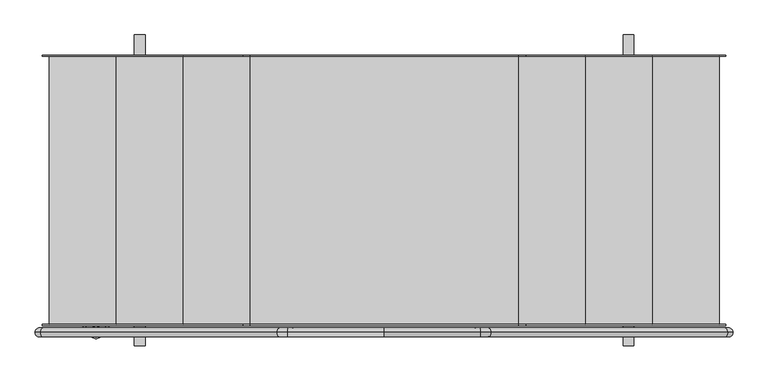
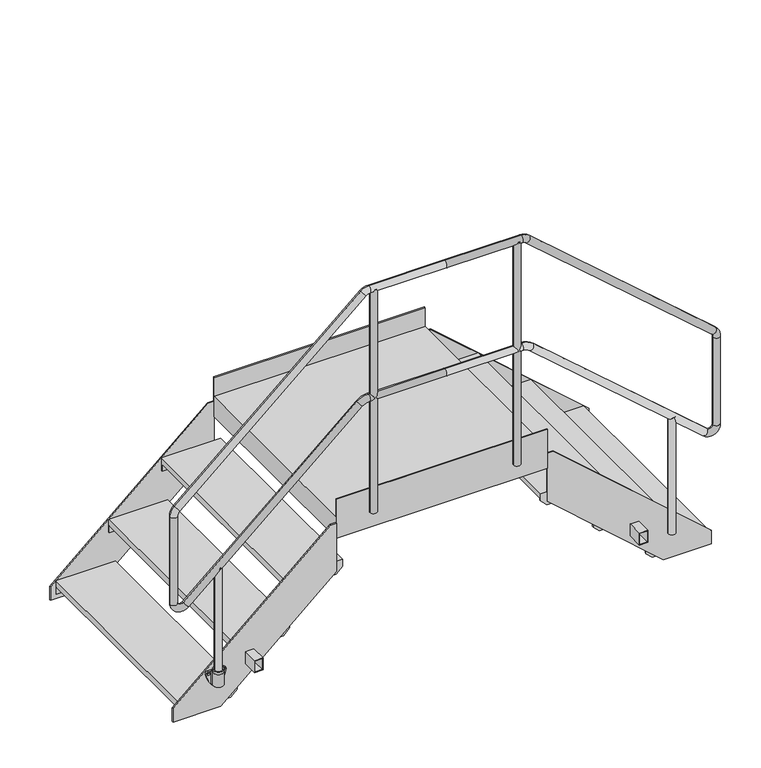
"""IFC4 building model written with IfcOpenShell, lengths in millimetres: beam geometry."""

from ifc_helpers import new_model, si_unit, point, frame, frame_2d, origin, place, context, project, spatial, polyline, circle_curve, ellipse_curve, trimmed, segment, composite_curve, outline, extrude, faceted_brep, source, transform, mapped, element, save
from ifc_brep_helpers import plane_surface, cylinder_surface, revolved_surface, advanced_brep


def beam_22312b99(model_context):
    return source(origin(), model_context, "Body", "SolidModel", [
        advanced_brep(
        [(-1098.5, -530.5, 318.5021879), (-1051.5, -530.5, 318.5021879), (-1092.5, -530.5, 318.5021879), (-1057.5, -530.5, 318.5021879), (-1090.6843871, -513.0, 306.5021879), (-1059.3156129, -513.0, 306.5021879), (-1075.0, -513.0, 306.5021879), (-1092.5, -530.5, 306.5021879), (-1079.2742096, -513.5299932, 306.5021879), (-1075.0, -513.0, 306.5021879), (-1070.7257904, -513.5299932, 306.5021879), (-1057.5, -530.5, 306.5021879), (-1098.5, -530.5, 306.5021879), (-1051.5, -530.5, 306.5021879), (-1055.0724935, -518.0442991, 306.5021879), (-1094.9275065, -518.0442991, 306.5021879), (-1052.160166, -513.0, 306.5021879), (-1097.839834, -513.0, 306.5021879), (-1055.0724935, -518.0442991, 242.5021879), (-1094.9275065, -518.0442991, 242.5021879), (-1097.839834, -513.0, 242.5021879), (-1052.160166, -513.0, 242.5021879), (-1070.7257904, -513.5299932, 242.5021879), (-1079.2742096, -513.5299932, 242.5021879)],
        [
            (0, 1, circle_curve(frame((-1075.0, -530.5, 318.5021879), z_axis=(0.0, 0.0, 1.0), x_axis=(1.0, 0.0, 0.0)), 23.5)),
            (1, 0, circle_curve(frame((-1075.0, -530.5, 318.5021879), z_axis=(0.0, 0.0, 1.0), x_axis=(1.0, 0.0, 0.0)), 23.5)),
            (2, 3, circle_curve(frame((-1075.0, -530.5, 318.5021879), z_axis=(0.0, 0.0, -1.0), x_axis=(1.0, 0.0, 0.0)), 17.5)),
            (3, 2, circle_curve(frame((-1075.0, -530.5, 318.5021879), z_axis=(0.0, 0.0, -1.0), x_axis=(1.0, 0.0, 0.0)), 17.5)),
            (4, 5, circle_curve(frame((-1075.0, -530.5, 306.5021879), z_axis=(0.0, 0.0, -1.0), x_axis=(1.0, 0.0, 0.0)), 23.5)),
            (5, 6),
            (6, 4),
            (2, 7),
            (7, 8, circle_curve(frame((-1075.0, -530.5, 306.5021879), z_axis=(0.0, 0.0, -1.0), x_axis=(1.0, 0.0, 0.0)), 17.5)),
            (8, 9, circle_curve(frame((-1075.0, -530.5, 306.5021879), z_axis=(0.0, 0.0, -1.0), x_axis=(1.0, 0.0, 0.0)), 17.5)),
            (9, 10, circle_curve(frame((-1075.0, -530.5, 306.5021879), z_axis=(0.0, 0.0, -1.0), x_axis=(1.0, 0.0, 0.0)), 17.5)),
            (10, 11, circle_curve(frame((-1075.0, -530.5, 306.5021879), z_axis=(0.0, 0.0, -1.0), x_axis=(1.0, 0.0, 0.0)), 17.5)),
            (11, 3),
            (11, 7, circle_curve(frame((-1075.0, -530.5, 306.5021879), z_axis=(0.0, 0.0, -1.0), x_axis=(1.0, 0.0, 0.0)), 17.5)),
            (0, 12),
            (12, 13, circle_curve(frame((-1075.0, -530.5, 306.5021879), z_axis=(0.0, 0.0, 1.0), x_axis=(1.0, 0.0, 0.0)), 23.5)),
            (13, 1),
            (13, 14, circle_curve(frame((-1075.0, -530.5, 306.5021879), z_axis=(0.0, 0.0, 1.0), x_axis=(1.0, 0.0, 0.0)), 23.5)),
            (14, 5, circle_curve(frame((-1075.0, -530.5, 306.5021879), z_axis=(0.0, 0.0, 1.0), x_axis=(1.0, 0.0, 0.0)), 23.5)),
            (4, 15, circle_curve(frame((-1075.0, -530.5, 306.5021879), z_axis=(0.0, 0.0, 1.0), x_axis=(1.0, 0.0, 0.0)), 23.5)),
            (15, 12, circle_curve(frame((-1075.0, -530.5, 306.5021879), z_axis=(0.0, 0.0, 1.0), x_axis=(1.0, 0.0, 0.0)), 23.5)),
            (8, 10),
            (14, 16, circle_curve(frame((-1052.1711253, -516.3565387, 306.5021879), z_axis=(0.0, 0.0, -1.0), x_axis=(-1.0, 0.0, 0.0)), 3.3565566)),
            (16, 5),
            (17, 15, circle_curve(frame((-1097.8288747, -516.3565387, 306.5021879), z_axis=(0.0, 0.0, -1.0), x_axis=(1.0, 0.0, 0.0)), 3.3565566)),
            (4, 17),
            (18, 19, circle_curve(frame((-1075.0, -530.5, 242.5021879), z_axis=(0.0, 0.0, -1.0), x_axis=(1.0, 0.0, 0.0)), 23.5)),
            (19, 20, circle_curve(frame((-1097.8288747, -516.3565387, 242.5021879), z_axis=(0.0, 0.0, 1.0), x_axis=(1.0, 0.0, 0.0)), 3.3565566)),
            (20, 21),
            (21, 18, circle_curve(frame((-1052.1711253, -516.3565387, 242.5021879), z_axis=(0.0, 0.0, 1.0), x_axis=(-1.0, 0.0, 0.0)), 3.3565566)),
            (22, 23),
            (23, 22, circle_curve(frame((-1075.0, -530.5, 242.5021879), z_axis=(0.0, 0.0, 1.0), x_axis=(1.0, 0.0, 0.0)), 17.5)),
            (23, 8),
            (10, 22),
            (14, 18),
            (21, 16),
            (20, 17),
            (19, 15),
        ],
        [
            plane_surface(frame((-1057.5, -530.5, 318.5021879), z_axis=(0.0, 0.0, 1.0), x_axis=(0.0, -1.0, 0.0))),
            plane_surface(frame((-1057.5, -530.5, 306.5021879), z_axis=(0.0, 0.0, -1.0), x_axis=(0.0, 1.0, 0.0))),
            revolved_surface(polyline([(-1057.5, -530.5, 306.5021879), (-1057.5, -530.5, 318.5021879)]), (-1075.0, -530.5, 306.5021879), (0.0, 0.0, -1.0)),
            cylinder_surface(frame((-1075.0, -530.5, 306.5021879), z_axis=(0.0, 0.0, 1.0), x_axis=(1.0, 0.0, 0.0)), 23.5),
            plane_surface(frame((-1057.5, -530.5, 306.5021879), z_axis=(0.0, 0.0, 1.0), x_axis=(0.0, -1.0, 0.0))),
            plane_surface(frame((-1057.5, -530.5, 242.5021879), z_axis=(0.0, 0.0, -1.0), x_axis=(0.0, 1.0, 0.0))),
            revolved_surface(polyline([(-1057.5, -530.5, 242.5021879), (-1057.5, -530.5, 306.5021879)]), (-1075.0, -530.5, 242.5021879), (0.0, 0.0, -1.0)),
            plane_surface(frame((-1079.2742096, -513.5299932, 306.5021879), z_axis=(0.0, -1.0, 0.0), x_axis=(0.0, 0.0, -1.0))),
            revolved_surface(polyline([(-1055.5276819, -516.3565387, 242.5021879), (-1055.5276819, -516.3565387, 306.5021879)]), (-1052.1711253, -516.3565387, 242.5021879), (0.0, 0.0, -1.0)),
            plane_surface(frame((-1052.160166, -513.0, 306.5021879), z_axis=(0.0, 1.0, 0.0), x_axis=(0.0, 0.0, -1.0))),
            revolved_surface(polyline([(-1094.4723181, -516.3565387, 242.5021879), (-1094.4723181, -516.3565387, 306.5021879)]), (-1097.8288747, -516.3565387, 242.5021879), (0.0, 0.0, -1.0)),
            cylinder_surface(frame((-1075.0, -530.5, 242.5021879), z_axis=(0.0, 0.0, 1.0), x_axis=(1.0, 0.0, 0.0)), 23.5),
        ],
        [
            (0, [[1, 2], [3, 4]]),
            (1, [[5, 6, 7]]),
            (2, [[-3, 8, 9, 10, 11, 12, 13]]),
            (2, [[-4, -13, 14, -8]]),
            (3, [[-1, 15, 16, 17]]),
            (3, [[-2, -17, 18, 19, -5, 20, 21, -15]]),
            (4, [[22, -11, -10]]),
            (4, [[23, 24, -19]]),
            (4, [[25, -20, 26]]),
            (5, [[27, 28, 29, 30], [31, 32]]),
            (6, [[-32, 33, -9, -14, -12, 34]]),
            (7, [[-22, -33, -31, -34]]),
            (8, [[-23, 35, -30, 36]]),
            (9, [[-29, 37, -26, -7, -6, -24, -36]]),
            (10, [[-25, -37, -28, 38]]),
            (11, [[-27, -35, -18, -16, -21, -38]]),
        ],
    ),
        extrude(outline(composite_curve([segment(trimmed(circle_curve(frame_2d((312.1021879, -1005.6)), 118.3), [point((293.8380046, -1122.4816051))], [point((221.6269174, -1081.8175533))], False, "CARTESIAN"), True, "CONTINUOUS"), segment(trimmed(circle_curve(frame_2d((231.5021879, -1075.0)), 12.0), [point((221.6269174, -1081.8175533))], [point((223.2936993, -1066.246674))], False, "CARTESIAN"), True, "CONTINUOUS"), segment(trimmed(circle_curve(frame_2d((312.1021879, -1144.4)), 118.3), [point((223.2936993, -1066.246674))], [point((293.8380046, -1027.5183949))], False, "CARTESIAN"), True, "CONTINUOUS"), segment(trimmed(circle_curve(frame_2d((294.5021879, -1039.5)), 12.0), [point((293.8380046, -1027.5183949))], [point((306.5021879, -1039.5))], False, "CARTESIAN"), True, "CONTINUOUS"), segment(polyline([(306.5021879, -1039.5), (306.5021879, -1110.5)]), True, "CONTINUOUS"), segment(trimmed(circle_curve(frame_2d((294.5021879, -1110.5)), 12.0), [point((306.5021879, -1110.5))], [point((293.8380046, -1122.4816051))], False, "CARTESIAN"), True, "CONTINUOUS")], self_intersect=False), holes=[composite_curve([segment(trimmed(circle_curve(frame_2d((231.5021879, -1075.0)), 6.0), [point((231.5021879, -1081.0))], [point((231.5021879, -1069.0))], True, "CARTESIAN"), True, "CONTINUOUS"), segment(trimmed(circle_curve(frame_2d((231.5021879, -1075.0)), 6.0), [point((231.5021879, -1069.0))], [point((231.5021879, -1081.0))], True, "CARTESIAN"), True, "CONTINUOUS")], self_intersect=False), composite_curve([segment(trimmed(circle_curve(frame_2d((294.5021879, -1110.5)), 6.0), [point((294.5021879, -1116.5))], [point((294.5021879, -1104.5))], True, "CARTESIAN"), True, "CONTINUOUS"), segment(trimmed(circle_curve(frame_2d((294.5021879, -1110.5)), 6.0), [point((294.5021879, -1104.5))], [point((294.5021879, -1116.5))], True, "CARTESIAN"), True, "CONTINUOUS")], self_intersect=False), composite_curve([segment(trimmed(circle_curve(frame_2d((294.5021879, -1039.5)), 6.0), [point((294.5021879, -1033.5))], [point((294.5021879, -1045.5))], True, "CARTESIAN"), True, "CONTINUOUS"), segment(trimmed(circle_curve(frame_2d((294.5021879, -1039.5)), 6.0), [point((294.5021879, -1045.5))], [point((294.5021879, -1033.5))], True, "CARTESIAN"), True, "CONTINUOUS")], self_intersect=False)]), frame((0.0, -513.0, 0.0), z_axis=(0.0, 1.0, 0.0), x_axis=(0.0, 0.0, 1.0)), (0.0, 0.0, 1.0), 8.0),
        extrude(outline(composite_curve([segment(trimmed(circle_curve(frame_2d((-1075.0, -530.5)), 16.8), [point((-1091.8, -530.5))], [point((-1058.2, -530.5))], False, "CARTESIAN"), True, "CONTINUOUS"), segment(trimmed(circle_curve(frame_2d((-1075.0, -530.5)), 16.8), [point((-1058.2, -530.5))], [point((-1091.8, -530.5))], False, "CARTESIAN"), True, "CONTINUOUS")], self_intersect=False)), frame((0.0, 0.0, 248.5021879), z_axis=(0.0, 0.0, 1.0), x_axis=(1.0, 0.0, 0.0)), (0.0, 0.0, 1.0), 585.0),
        extrude(outline(composite_curve([segment(trimmed(circle_curve(frame_2d((1075.0, -530.5)), 16.8), [point((1091.8, -530.5))], [point((1058.2, -530.5))], False, "CARTESIAN"), True, "CONTINUOUS"), segment(trimmed(circle_curve(frame_2d((1075.0, -530.5)), 16.8), [point((1058.2, -530.5))], [point((1091.8, -530.5))], False, "CARTESIAN"), True, "CONTINUOUS")], self_intersect=False)), frame((0.0, 0.0, 248.5021879), z_axis=(0.0, 0.0, 1.0), x_axis=(1.0, 0.0, 0.0)), (0.0, 0.0, 1.0), 585.0),
        extrude(outline(composite_curve([segment(trimmed(circle_curve(frame_2d((-340.0, -530.5)), 16.8), [point((-356.8, -530.5))], [point((-323.2, -530.5))], False, "CARTESIAN"), True, "CONTINUOUS"), segment(trimmed(circle_curve(frame_2d((-340.0, -530.5)), 16.8), [point((-323.2, -530.5))], [point((-356.8, -530.5))], False, "CARTESIAN"), True, "CONTINUOUS")], self_intersect=False)), frame((0.0, 0.0, 850.5021879), z_axis=(0.0, 0.0, 1.0), x_axis=(1.0, 0.0, 0.0)), (0.0, 0.0, 1.0), 1120.0),
        extrude(outline(composite_curve([segment(trimmed(circle_curve(frame_2d((340.0, -530.5)), 16.8), [point((356.8, -530.5))], [point((323.2, -530.5))], False, "CARTESIAN"), True, "CONTINUOUS"), segment(trimmed(circle_curve(frame_2d((340.0, -530.5)), 16.8), [point((323.2, -530.5))], [point((356.8, -530.5))], False, "CARTESIAN"), True, "CONTINUOUS")], self_intersect=False)), frame((0.0, 0.0, 850.5021879), z_axis=(0.0, 0.0, 1.0), x_axis=(1.0, 0.0, 0.0)), (0.0, 0.0, 1.0), 1120.0),
        advanced_brep(
        [(0.0, -530.5, 1953.9021879), (360.0669192, -530.5, 1953.9021879), (360.0669192, -530.5, 1987.5021879), (0.0, -530.5, 1987.5021879), (377.3868776, -530.5, 1947.4265208), (399.430461, -530.5, 1972.7847627), (1260.3199584, -530.5, 1179.9045033), (1282.3635417, -530.5, 1205.2627452), (1269.4, -530.5, 1159.9801704), (1303.0, -530.5, 1159.9801704), (1269.4, -530.5, 721.9830931), (1303.0, -530.5, 721.9830931), (1242.2406319, -530.5, 709.605856), (1220.1970486, -530.5, 684.2476141), (418.6523008, -530.5, 1425.5402697), (396.6087175, -530.5, 1400.1820278), (363.805766, -530.5, 1446.0465487), (363.805766, -530.5, 1412.4465487), (0.0, -530.5, 1446.0465487), (0.0, -530.5, 1412.4465487), (-360.0669192, -530.5, 1987.5021879), (-360.0669192, -530.5, 1953.9021879), (-399.430461, -530.5, 1972.7847627), (-377.3868776, -530.5, 1947.4265208), (-1282.3635417, -530.5, 1205.2627452), (-1260.3199584, -530.5, 1179.9045033), (-1303.0, -530.5, 1159.9801704), (-1269.4, -530.5, 1159.9801704), (-1303.0, -530.5, 721.9830931), (-1269.4, -530.5, 721.9830931), (-1220.1970486, -530.5, 684.2476141), (-1242.2406319, -530.5, 709.605856), (-396.6087175, -530.5, 1400.1820278), (-418.6523008, -530.5, 1425.5402697), (-363.805766, -530.5, 1412.4465487), (-363.805766, -530.5, 1446.0465487)],
        [
            (0, 1),
            (1, 2, circle_curve(frame((360.0669192, -530.5, 1970.7021879), z_axis=(-1.0, 0.0, 0.0), x_axis=(0.0, 0.0, -1.0)), 16.8)),
            (2, 3),
            (3, 0, circle_curve(frame((0.0, -530.5, 1970.7021879), z_axis=(1.0, 0.0, 0.0), x_axis=(0.0, 0.0, -1.0)), 16.8)),
            (0, 3, circle_curve(frame((0.0, -530.5, 1970.7021879), z_axis=(1.0, 0.0, 0.0), x_axis=(0.0, 0.0, -1.0)), 16.8)),
            (2, 1, circle_curve(frame((360.0669192, -530.5, 1970.7021879), z_axis=(-1.0, 0.0, 0.0), x_axis=(0.0, 0.0, -1.0)), 16.8)),
            (1, 4, circle_curve(frame((360.0669192, -530.5, 1927.5021879), z_axis=(0.0, 1.0, 0.0), x_axis=(0.0, 0.0, 1.0)), 26.4)),
            (4, 5, circle_curve(frame((388.4086693, -530.5, 1960.1056417), z_axis=(-0.754709580222773, 0.0, 0.656059028990506), x_axis=(-0.656059028990506, 0.0, -0.754709580222773)), 16.8)),
            (5, 2, circle_curve(frame((360.0669192, -530.5, 1927.5021879), z_axis=(0.0, -1.0, 0.0), x_axis=(0.0, 0.0, 1.0)), 60.0)),
            (5, 4, circle_curve(frame((388.4086693, -530.5, 1960.1056417), z_axis=(-0.7547095802227751, 0.0, 0.6560590289905037), x_axis=(-0.6560590289905037, 0.0, -0.7547095802227751)), 16.8)),
            (4, 6),
            (6, 7, circle_curve(frame((1271.3417501, -530.5, 1192.5836242), z_axis=(-0.7547095802227749, 0.0, 0.6560590289905042), x_axis=(-0.6560590289905041, 0.0, -0.7547095802227747)), 16.8)),
            (7, 5),
            (7, 6, circle_curve(frame((1271.3417501, -530.5, 1192.5836242), z_axis=(-0.7547095802227749, 0.0, 0.6560590289905042), x_axis=(-0.6560590289905041, 0.0, -0.7547095802227747)), 16.8)),
            (6, 8, circle_curve(frame((1243.0, -530.5, 1159.9801704), z_axis=(0.0, 1.0, 0.0), x_axis=(0.6560590289905028, 0.0, 0.7547095802227759)), 26.4)),
            (8, 9, circle_curve(frame((1286.2, -530.5, 1159.9801704), z_axis=(0.0, 0.0, 1.0), x_axis=(-1.0, 0.0, 0.0)), 16.8)),
            (9, 7, circle_curve(frame((1243.0, -530.5, 1159.9801704), z_axis=(0.0, -1.0, 0.0), x_axis=(0.6560590289905028, 0.0, 0.7547095802227759)), 60.0)),
            (9, 8, circle_curve(frame((1286.2, -530.5, 1159.9801704), z_axis=(0.0, 0.0, 1.0), x_axis=(-1.0, 0.0, 0.0)), 16.8)),
            (8, 10),
            (10, 11, circle_curve(frame((1286.2, -530.5, 721.9830931), z_axis=(0.0, 0.0, 1.0), x_axis=(-1.0, 0.0, 0.0)), 16.8)),
            (11, 9),
            (11, 10, circle_curve(frame((1286.2, -530.5, 721.9830931), z_axis=(0.0, 0.0, 1.0), x_axis=(-1.0, 0.0, 0.0)), 16.8)),
            (10, 12, circle_curve(frame((1253.0, -530.5, 721.9830931), z_axis=(0.0, 1.0, 0.0), x_axis=(1.0, 0.0, 0.0)), 16.4)),
            (12, 13, circle_curve(frame((1231.2188402, -530.5, 696.9267351), z_axis=(0.7547095802227697, 0.0, -0.6560590289905098), x_axis=(0.6560590289905098, 0.0, 0.7547095802227697)), 16.8)),
            (13, 11, circle_curve(frame((1253.0, -530.5, 721.9830931), z_axis=(0.0, -1.0, 0.0), x_axis=(1.0, 0.0, 0.0)), 50.0)),
            (13, 12, circle_curve(frame((1231.2188402, -530.5, 696.9267351), z_axis=(0.7547095802227752, 0.0, -0.6560590289905035), x_axis=(0.6560590289905035, 0.0, 0.7547095802227752)), 16.8)),
            (12, 14),
            (14, 15, circle_curve(frame((407.6305092, -530.5, 1412.8611487), z_axis=(0.7547095802227748, 0.0, -0.6560590289905041), x_axis=(0.6560590289905041, 0.0, 0.7547095802227748)), 16.8)),
            (15, 13),
            (15, 14, circle_curve(frame((407.6305092, -530.5, 1412.8611487), z_axis=(0.7547095802227748, 0.0, -0.6560590289905041), x_axis=(0.6560590289905041, 0.0, 0.7547095802227748)), 16.8)),
            (14, 16, circle_curve(frame((363.805766, -530.5, 1362.4465487), z_axis=(0.0, -1.0, 0.0), x_axis=(0.6560590289905083, 0.0, 0.754709580222771)), 83.6)),
            (16, 17, circle_curve(frame((363.805766, -530.5, 1429.2465487), z_axis=(0.9999999999999999, 0.0, 0.0), x_axis=(0.0, 0.0, 0.9999999999999999)), 16.8)),
            (17, 15, circle_curve(frame((363.805766, -530.5, 1362.4465487), z_axis=(0.0, 1.0, 0.0), x_axis=(0.6560590289905083, 0.0, 0.754709580222771)), 50.0)),
            (17, 16, circle_curve(frame((363.805766, -530.5, 1429.2465487), z_axis=(0.9999999999999999, 0.0, 0.0), x_axis=(0.0, 0.0, 0.9999999999999999)), 16.8)),
            (16, 18),
            (18, 19, circle_curve(frame((0.0, -530.5, 1429.2465487), z_axis=(1.0, 0.0, 0.0), x_axis=(0.0, 0.0, 1.0)), 16.8)),
            (19, 17),
            (19, 18, circle_curve(frame((0.0, -530.5, 1429.2465487), z_axis=(1.0, 0.0, 0.0), x_axis=(0.0, 0.0, 1.0)), 16.8)),
            (3, 20),
            (20, 21, circle_curve(frame((-360.0669192, -530.5, 1970.7021879), z_axis=(1.0, 0.0, 0.0), x_axis=(0.0, 0.0, -1.0)), 16.8)),
            (21, 0),
            (21, 20, circle_curve(frame((-360.0669192, -530.5, 1970.7021879), z_axis=(1.0, 0.0, 0.0), x_axis=(0.0, 0.0, -1.0)), 16.8)),
            (20, 22, circle_curve(frame((-360.0669192, -530.5, 1927.5021879), z_axis=(0.0, -1.0, 0.0), x_axis=(0.0, 0.0, 1.0)), 60.0)),
            (22, 23, circle_curve(frame((-388.4086693, -530.5, 1960.1056417), z_axis=(0.7547095802227751, 0.0, 0.6560590289905037), x_axis=(0.6560590289905037, 0.0, -0.7547095802227751)), 16.8)),
            (23, 21, circle_curve(frame((-360.0669192, -530.5, 1927.5021879), z_axis=(0.0, 1.0, 0.0), x_axis=(0.0, 0.0, 1.0)), 26.4)),
            (23, 22, circle_curve(frame((-388.4086693, -530.5, 1960.1056417), z_axis=(0.7547095802227743, 0.0, 0.6560590289905045), x_axis=(0.6560590289905045, 0.0, -0.7547095802227743)), 16.8)),
            (22, 24),
            (24, 25, circle_curve(frame((-1271.3417501, -530.5, 1192.5836242), z_axis=(0.7547095802227749, 0.0, 0.6560590289905042), x_axis=(0.6560590289905041, 0.0, -0.7547095802227747)), 16.8)),
            (25, 23),
            (25, 24, circle_curve(frame((-1271.3417501, -530.5, 1192.5836242), z_axis=(0.7547095802227749, 0.0, 0.6560590289905042), x_axis=(0.6560590289905041, 0.0, -0.7547095802227747)), 16.8)),
            (24, 26, circle_curve(frame((-1243.0, -530.5, 1159.9801704), z_axis=(0.0, -1.0, 0.0), x_axis=(-0.6560590289905042, 0.0, 0.7547095802227747)), 60.0)),
            (26, 27, circle_curve(frame((-1286.2, -530.5, 1159.9801704), z_axis=(0.0, 0.0, 1.0), x_axis=(1.0, 0.0, 0.0)), 16.8)),
            (27, 25, circle_curve(frame((-1243.0, -530.5, 1159.9801704), z_axis=(0.0, 1.0, 0.0), x_axis=(-0.6560590289905042, 0.0, 0.7547095802227747)), 26.4)),
            (27, 26, circle_curve(frame((-1286.2, -530.5, 1159.9801704), z_axis=(0.0, 0.0, 1.0), x_axis=(1.0, 0.0, 0.0)), 16.8)),
            (26, 28),
            (28, 29, circle_curve(frame((-1286.2, -530.5, 721.9830931), z_axis=(0.0, 0.0, 1.0), x_axis=(1.0, 0.0, 0.0)), 16.8)),
            (29, 27),
            (29, 28, circle_curve(frame((-1286.2, -530.5, 721.9830931), z_axis=(0.0, 0.0, 1.0), x_axis=(1.0, 0.0, 0.0)), 16.8)),
            (28, 30, circle_curve(frame((-1253.0, -530.5, 721.9830931), z_axis=(0.0, -1.0, 0.0), x_axis=(-1.0, 0.0, 0.0)), 50.0)),
            (30, 31, circle_curve(frame((-1231.2188402, -530.5, 696.9267351), z_axis=(-0.7547095802227766, 0.0, -0.6560590289905022), x_axis=(-0.6560590289905022, 0.0, 0.7547095802227766)), 16.8)),
            (31, 29, circle_curve(frame((-1253.0, -530.5, 721.9830931), z_axis=(0.0, 1.0, 0.0), x_axis=(-1.0, 0.0, 0.0)), 16.4)),
            (31, 30, circle_curve(frame((-1231.2188402, -530.5, 696.9267351), z_axis=(-0.7547095802227635, 0.0, -0.6560590289905172), x_axis=(-0.6560590289905172, 0.0, 0.7547095802227635)), 16.8)),
            (30, 32),
            (32, 33, circle_curve(frame((-407.6305092, -530.5, 1412.8611487), z_axis=(-0.7547095802227748, 0.0, -0.6560590289905041), x_axis=(-0.6560590289905041, 0.0, 0.7547095802227748)), 16.8)),
            (33, 31),
            (33, 32, circle_curve(frame((-407.6305092, -530.5, 1412.8611487), z_axis=(-0.7547095802227748, 0.0, -0.6560590289905041), x_axis=(-0.6560590289905041, 0.0, 0.7547095802227748)), 16.8)),
            (32, 34, circle_curve(frame((-363.805766, -530.5, 1362.4465487), z_axis=(0.0, 1.0, 0.0), x_axis=(-0.6560590289905083, 0.0, 0.754709580222771)), 50.0)),
            (34, 35, circle_curve(frame((-363.805766, -530.5, 1429.2465487), z_axis=(-0.9999999999999999, 0.0, 0.0), x_axis=(0.0, 0.0, 0.9999999999999999)), 16.8)),
            (35, 33, circle_curve(frame((-363.805766, -530.5, 1362.4465487), z_axis=(0.0, -1.0, 0.0), x_axis=(-0.6560590289905083, 0.0, 0.754709580222771)), 83.6)),
            (35, 34, circle_curve(frame((-363.805766, -530.5, 1429.2465487), z_axis=(-1.0, 0.0, 0.0), x_axis=(0.0, 0.0, 1.0)), 16.8)),
            (34, 19),
            (18, 35),
        ],
        [
            cylinder_surface(frame((0.0, -530.5, 1970.7021879), z_axis=(-1.0, 0.0, 0.0), x_axis=(0.0, 0.0, -1.0)), 16.8),
            revolved_surface(trimmed(ellipse_curve(frame((360.0669192, -530.5, 1970.7021879), z_axis=(-1.0, 0.0, 0.0), x_axis=(0.0, 0.0, -1.0)), 16.8, 16.8), [point((360.0669192, -530.5, 1953.9021879))], [point((360.0669192, -530.5, 1987.5021879))], True, "CARTESIAN"), (360.0669192, -530.5, 1927.5021879), (0.0, 1.0, 0.0)),
            revolved_surface(trimmed(ellipse_curve(frame((360.0669192, -530.5, 1970.7021879), z_axis=(-1.0, 0.0, 0.0), x_axis=(0.0, 0.0, -1.0)), 16.8, 16.8), [point((360.0669192, -530.5, 1987.5021879))], [point((360.0669192, -530.5, 1953.9021879))], True, "CARTESIAN"), (360.0669192, -530.5, 1927.5021879), (0.0, 1.0, 0.0)),
            cylinder_surface(frame((388.4086693, -530.5, 1960.1056417), z_axis=(-0.7547095802227747, 0.0, 0.6560590289905041), x_axis=(-0.6560590289905041, 0.0, -0.7547095802227747)), 16.8),
            revolved_surface(trimmed(ellipse_curve(frame((1271.3417501, -530.5, 1192.5836242), z_axis=(-0.7547095802227761, 0.0, 0.6560590289905026), x_axis=(-0.6560590289905026, 0.0, -0.7547095802227761)), 16.8, 16.8), [point((1260.3199584, -530.5, 1179.9045033))], [point((1282.3635417, -530.5, 1205.2627452))], True, "CARTESIAN"), (1243.0, -530.5, 1159.9801704), (0.0, 1.0, 0.0)),
            revolved_surface(trimmed(ellipse_curve(frame((1271.3417501, -530.5, 1192.5836242), z_axis=(-0.7547095802227761, 0.0, 0.6560590289905026), x_axis=(-0.6560590289905026, 0.0, -0.7547095802227761)), 16.8, 16.8), [point((1282.3635417, -530.5, 1205.2627452))], [point((1260.3199584, -530.5, 1179.9045033))], True, "CARTESIAN"), (1243.0, -530.5, 1159.9801704), (0.0, 1.0, 0.0)),
            cylinder_surface(frame((1286.2, -530.5, 1159.9801704), z_axis=(0.0, 0.0, 1.0), x_axis=(-1.0, 0.0, 0.0)), 16.8),
            revolved_surface(trimmed(ellipse_curve(frame((1286.2, -530.5, 721.9830931), z_axis=(0.0, 0.0, 1.0), x_axis=(-1.0, 0.0, 0.0)), 16.8, 16.8), [point((1269.4, -530.5, 721.9830931))], [point((1303.0, -530.5, 721.9830931))], True, "CARTESIAN"), (1253.0, -530.5, 721.9830931), (0.0, 1.0, 0.0)),
            revolved_surface(trimmed(ellipse_curve(frame((1286.2, -530.5, 721.9830931), z_axis=(0.0, 0.0, 1.0), x_axis=(-1.0, 0.0, 0.0)), 16.8, 16.8), [point((1303.0, -530.5, 721.9830931))], [point((1269.4, -530.5, 721.9830931))], True, "CARTESIAN"), (1253.0, -530.5, 721.9830931), (0.0, 1.0, 0.0)),
            cylinder_surface(frame((1231.2188402, -530.5, 696.9267351), z_axis=(0.7547095802227748, 0.0, -0.6560590289905041), x_axis=(0.6560590289905041, 0.0, 0.7547095802227748)), 16.8),
            revolved_surface(trimmed(ellipse_curve(frame((407.6305092, -530.5, 1412.8611487), z_axis=(0.7547095802227711, 0.0, -0.6560590289905082), x_axis=(0.6560590289905082, 0.0, 0.7547095802227711)), 16.8, 16.8), [point((418.6523008, -530.5, 1425.5402697))], [point((396.6087175, -530.5, 1400.1820278))], True, "CARTESIAN"), (363.805766, -530.5, 1362.4465487), (0.0, -1.0, 0.0)),
            revolved_surface(trimmed(ellipse_curve(frame((407.6305092, -530.5, 1412.8611487), z_axis=(0.7547095802227711, 0.0, -0.6560590289905082), x_axis=(0.6560590289905082, 0.0, 0.7547095802227711)), 16.8, 16.8), [point((396.6087175, -530.5, 1400.1820278))], [point((418.6523008, -530.5, 1425.5402697))], True, "CARTESIAN"), (363.805766, -530.5, 1362.4465487), (0.0, -1.0, 0.0)),
            cylinder_surface(frame((363.805766, -530.5, 1429.2465487), z_axis=(1.0, 0.0, 0.0), x_axis=(0.0, 0.0, 1.0)), 16.8),
            cylinder_surface(frame((0.0, -530.5, 1970.7021879), z_axis=(1.0, 0.0, 0.0), x_axis=(0.0, 0.0, -1.0)), 16.8),
            revolved_surface(trimmed(ellipse_curve(frame((-360.0669192, -530.5, 1970.7021879), z_axis=(1.0, 0.0, 0.0), x_axis=(0.0, 0.0, -1.0)), 16.8, 16.8), [point((-360.0669192, -530.5, 1987.5021879))], [point((-360.0669192, -530.5, 1953.9021879))], True, "CARTESIAN"), (-360.0669192, -530.5, 1927.5021879), (0.0, -1.0, 0.0)),
            revolved_surface(trimmed(ellipse_curve(frame((-360.0669192, -530.5, 1970.7021879), z_axis=(1.0, 0.0, 0.0), x_axis=(0.0, 0.0, -1.0)), 16.8, 16.8), [point((-360.0669192, -530.5, 1953.9021879))], [point((-360.0669192, -530.5, 1987.5021879))], True, "CARTESIAN"), (-360.0669192, -530.5, 1927.5021879), (0.0, -1.0, 0.0)),
            cylinder_surface(frame((-388.4086693, -530.5, 1960.1056417), z_axis=(0.7547095802227747, 0.0, 0.6560590289905041), x_axis=(0.6560590289905041, 0.0, -0.7547095802227747)), 16.8),
            revolved_surface(trimmed(ellipse_curve(frame((-1271.3417501, -530.5, 1192.5836242), z_axis=(0.7547095802227748, 0.0, 0.656059028990504), x_axis=(0.656059028990504, 0.0, -0.7547095802227748)), 16.8, 16.8), [point((-1282.3635417, -530.5, 1205.2627452))], [point((-1260.3199584, -530.5, 1179.9045033))], True, "CARTESIAN"), (-1243.0, -530.5, 1159.9801704), (0.0, -1.0, 0.0)),
            revolved_surface(trimmed(ellipse_curve(frame((-1271.3417501, -530.5, 1192.5836242), z_axis=(0.7547095802227748, 0.0, 0.656059028990504), x_axis=(0.656059028990504, 0.0, -0.7547095802227748)), 16.8, 16.8), [point((-1260.3199584, -530.5, 1179.9045033))], [point((-1282.3635417, -530.5, 1205.2627452))], True, "CARTESIAN"), (-1243.0, -530.5, 1159.9801704), (0.0, -1.0, 0.0)),
            cylinder_surface(frame((-1286.2, -530.5, 1159.9801704), z_axis=(0.0, 0.0, 1.0), x_axis=(1.0, 0.0, 0.0)), 16.8),
            revolved_surface(trimmed(ellipse_curve(frame((-1286.2, -530.5, 721.9830931), z_axis=(0.0, 0.0, 1.0), x_axis=(1.0, 0.0, 0.0)), 16.8, 16.8), [point((-1303.0, -530.5, 721.9830931))], [point((-1269.4, -530.5, 721.9830931))], True, "CARTESIAN"), (-1253.0, -530.5, 721.9830931), (0.0, -1.0, 0.0)),
            revolved_surface(trimmed(ellipse_curve(frame((-1286.2, -530.5, 721.9830931), z_axis=(0.0, 0.0, 1.0), x_axis=(1.0, 0.0, 0.0)), 16.8, 16.8), [point((-1269.4, -530.5, 721.9830931))], [point((-1303.0, -530.5, 721.9830931))], True, "CARTESIAN"), (-1253.0, -530.5, 721.9830931), (0.0, -1.0, 0.0)),
            cylinder_surface(frame((-1231.2188402, -530.5, 696.9267351), z_axis=(-0.7547095802227748, 0.0, -0.6560590289905041), x_axis=(-0.6560590289905041, 0.0, 0.7547095802227748)), 16.8),
            revolved_surface(trimmed(ellipse_curve(frame((-407.6305092, -530.5, 1412.8611487), z_axis=(-0.7547095802227711, 0.0, -0.6560590289905082), x_axis=(-0.6560590289905082, 0.0, 0.7547095802227711)), 16.8, 16.8), [point((-396.6087175, -530.5, 1400.1820278))], [point((-418.6523008, -530.5, 1425.5402697))], True, "CARTESIAN"), (-363.805766, -530.5, 1362.4465487), (0.0, 1.0, 0.0)),
            revolved_surface(trimmed(ellipse_curve(frame((-407.6305092, -530.5, 1412.8611487), z_axis=(-0.7547095802227711, 0.0, -0.6560590289905082), x_axis=(-0.6560590289905082, 0.0, 0.7547095802227711)), 16.8, 16.8), [point((-418.6523008, -530.5, 1425.5402697))], [point((-396.6087175, -530.5, 1400.1820278))], True, "CARTESIAN"), (-363.805766, -530.5, 1362.4465487), (0.0, 1.0, 0.0)),
            cylinder_surface(frame((-363.805766, -530.5, 1429.2465487), z_axis=(-1.0, 0.0, 0.0), x_axis=(0.0, 0.0, 1.0)), 16.8),
        ],
        [
            (0, [[1, 2, 3, 4]]),
            (0, [[-1, 5, -3, 6]]),
            (1, [[-2, 7, 8, 9]]),
            (2, [[-6, -9, 10, -7]]),
            (3, [[-8, 11, 12, 13]]),
            (3, [[-10, -13, 14, -11]]),
            (4, [[-12, 15, 16, 17]]),
            (5, [[-14, -17, 18, -15]]),
            (6, [[-16, 19, 20, 21]]),
            (6, [[-18, -21, 22, -19]]),
            (7, [[-20, 23, 24, 25]]),
            (8, [[-22, -25, 26, -23]]),
            (9, [[-24, 27, 28, 29]]),
            (9, [[-26, -29, 30, -27]]),
            (10, [[-28, 31, 32, 33]]),
            (11, [[-30, -33, 34, -31]]),
            (12, [[-32, 35, 36, 37]]),
            (12, [[-34, -37, 38, -35]]),
            (13, [[39, 40, 41, -4]]),
            (13, [[-39, -5, -41, 42]]),
            (14, [[-40, 43, 44, 45]]),
            (15, [[-42, -45, 46, -43]]),
            (16, [[-44, 47, 48, 49]]),
            (16, [[-46, -49, 50, -47]]),
            (17, [[-48, 51, 52, 53]]),
            (18, [[-50, -53, 54, -51]]),
            (19, [[-52, 55, 56, 57]]),
            (19, [[-54, -57, 58, -55]]),
            (20, [[-56, 59, 60, 61]]),
            (21, [[-58, -61, 62, -59]]),
            (22, [[-60, 63, 64, 65]]),
            (22, [[-62, -65, 66, -63]]),
            (23, [[-64, 67, 68, 69]]),
            (24, [[-66, -69, 70, -67]]),
            (25, [[-68, 71, -36, 72]]),
            (25, [[-70, -72, -38, -71]]),
        ],
    ),
        faceted_brep([(-468.7570662, -495.0, 611.773968), (-744.7570662, -495.0, 611.773968), (-744.7570662, 495.0, 611.773968), (-468.7570662, 495.0, 611.773968), (-749.7570662, 500.0, 636.773968), (-468.7570662, 500.0, 636.773968), (-468.7570662, 500.0, 601.773968), (-498.7570662, 500.0, 571.773968), (-749.7570662, 500.0, 571.773968), (-468.7570662, 495.0, 601.773968), (-744.7570662, 495.0, 606.773968), (-749.7570662, 495.0, 606.773968), (-749.7570662, 495.0, 571.773968), (-498.7570662, 495.0, 571.773968), (-749.7570662, -495.0, 606.773968), (-749.7570662, -495.0, 571.773968), (-749.7570662, -500.0, 571.773968), (-749.7570662, -500.0, 636.773968), (-468.7570662, -500.0, 636.773968), (-498.7570662, -500.0, 571.773968), (-468.7570662, -500.0, 601.773968), (-744.7570662, -495.0, 606.773968), (-468.7570662, -495.0, 601.773968), (-498.7570662, -495.0, 571.773968)], [[[0, 1, 2, 3]], [[4, 5, 6, 7, 8]], [[9, 3, 2, 10, 11, 12, 13]], [[8, 12, 11, 14, 15, 16, 17, 4]], [[7, 13, 12, 8]], [[6, 9, 13, 7]], [[18, 17, 16, 19, 20]], [[15, 14, 21, 1, 0, 22, 23]], [[19, 23, 22, 20]], [[16, 15, 23, 19]], [[10, 2, 1, 21]], [[21, 14, 11, 10]], [[4, 17, 18, 5]], [[3, 9, 6, 5, 18, 20, 22, 0]]]),
        faceted_brep([(469.5, -495.0, 612.0), (469.5, 495.0, 612.0), (745.5, 495.0, 612.0), (745.5, -495.0, 612.0), (750.5, 500.0, 637.0), (750.5, 500.0, 572.0), (499.5, 500.0, 572.0), (469.5, 500.0, 602.0), (469.5, 500.0, 637.0), (469.5, 495.0, 602.0), (499.5, 495.0, 572.0), (750.5, 495.0, 572.0), (750.5, 495.0, 607.0), (745.5, 495.0, 607.0), (750.5, -500.0, 637.0), (750.5, -500.0, 572.0), (750.5, -495.0, 572.0), (750.5, -495.0, 607.0), (469.5, -500.0, 637.0), (469.5, -500.0, 602.0), (499.5, -500.0, 572.0), (499.5, -495.0, 572.0), (469.5, -495.0, 602.0), (745.5, -495.0, 607.0)], [[[0, 1, 2, 3]], [[4, 5, 6, 7, 8]], [[9, 10, 11, 12, 13, 2, 1]], [[5, 4, 14, 15, 16, 17, 12, 11]], [[6, 5, 11, 10]], [[7, 6, 10, 9]], [[18, 19, 20, 15, 14]], [[16, 21, 22, 0, 3, 23, 17]], [[20, 19, 22, 21]], [[15, 20, 21, 16]], [[13, 23, 3, 2]], [[23, 13, 12, 17]], [[4, 8, 18, 14]], [[1, 0, 22, 19, 18, 8, 7, 9]]]),
        extrude(outline(polyline([(832.0, 495.2940503), (755.3, 495.2940503), (755.3, 500.2940503), (857.0, 500.2940503), (857.0, -499.7059497), (755.3, -499.7059497), (755.3, -494.7059497), (832.0, -494.7059497), (832.0, 495.2940503)])), frame((0.0, -500.0, 0.0), z_axis=(0.0, 1.0, 0.0), x_axis=(0.0, 0.0, 1.0)), (0.0, 0.0, 1.0), 1000.0),
        extrude(outline(polyline([(832.0, -499.7059497), (832.0, -527.7059497), (175.0, -1274.9118993), (107.0, -1274.9118993), (107.0, -1049.3654173), (590.3021879, -499.7059497), (832.0, -499.7059497)])), frame((0.0, 500.0, 0.0), z_axis=(0.0, 1.0, 0.0), x_axis=(0.0, 0.0, 1.0)), (0.0, 0.0, 1.0), 5.0),
        extrude(outline(polyline([(500.2940503, 505.0), (500.2940503, 500.0), (-499.7059497, 500.0), (-499.7059497, 505.0), (500.2940503, 505.0)])), frame((0.0, 0.0, 755.3021879), z_axis=(0.0, 0.0, 1.0), x_axis=(1.0, 0.0, 0.0)), (0.0, 0.0, 1.0), 196.2),
        extrude(outline(polyline([(832.0, 500.2940503), (590.3021879, 500.2940503), (107.0, 1049.953518), (107.0, 1275.5), (175.0, 1275.5), (832.0, 528.2940503), (832.0, 500.2940503)])), frame((0.0, 500.0, 0.0), z_axis=(0.0, 1.0, 0.0), x_axis=(0.0, 0.0, 1.0)), (0.0, 0.0, 1.0), 5.0),
        faceted_brep([(-718.8344827, -495.0, 391.886984), (-994.8344827, -495.0, 391.886984), (-994.8344827, 495.0, 391.886984), (-718.8344827, 495.0, 391.886984), (-999.8344827, 500.0, 416.886984), (-718.8344827, 500.0, 416.886984), (-718.8344827, 500.0, 381.886984), (-748.8344827, 500.0, 351.886984), (-999.8344827, 500.0, 351.886984), (-718.8344827, 495.0, 381.886984), (-994.8344827, 495.0, 386.886984), (-999.8344827, 495.0, 386.886984), (-999.8344827, 495.0, 351.886984), (-748.8344827, 495.0, 351.886984), (-999.8344827, -495.0, 386.886984), (-999.8344827, -495.0, 351.886984), (-999.8344827, -500.0, 351.886984), (-999.8344827, -500.0, 416.886984), (-718.8344827, -500.0, 416.886984), (-748.8344827, -500.0, 351.886984), (-718.8344827, -500.0, 381.886984), (-994.8344827, -495.0, 386.886984), (-718.8344827, -495.0, 381.886984), (-748.8344827, -495.0, 351.886984)], [[[0, 1, 2, 3]], [[4, 5, 6, 7, 8]], [[9, 3, 2, 10, 11, 12, 13]], [[8, 12, 11, 14, 15, 16, 17, 4]], [[7, 13, 12, 8]], [[6, 9, 13, 7]], [[18, 17, 16, 19, 20]], [[15, 14, 21, 1, 0, 22, 23]], [[19, 23, 22, 20]], [[16, 15, 23, 19]], [[10, 2, 1, 21]], [[21, 14, 11, 10]], [[4, 17, 18, 5]], [[3, 9, 6, 5, 18, 20, 22, 0]]]),
        faceted_brep([(-968.9118993, -495.0, 172.0), (-1244.9118993, -495.0, 172.0), (-1244.9118993, 495.0, 172.0), (-968.9118993, 495.0, 172.0), (-1249.9118993, 500.0, 197.0), (-968.9118993, 500.0, 197.0), (-968.9118993, 500.0, 162.0), (-998.9118993, 500.0, 132.0), (-1249.9118993, 500.0, 132.0), (-968.9118993, 495.0, 162.0), (-1244.9118993, 495.0, 167.0), (-1249.9118993, 495.0, 167.0), (-1249.9118993, 495.0, 132.0), (-998.9118993, 495.0, 132.0), (-1249.9118993, -495.0, 167.0), (-1249.9118993, -495.0, 132.0), (-1249.9118993, -500.0, 132.0), (-1249.9118993, -500.0, 197.0), (-968.9118993, -500.0, 197.0), (-998.9118993, -500.0, 132.0), (-968.9118993, -500.0, 162.0), (-1244.9118993, -495.0, 167.0), (-968.9118993, -495.0, 162.0), (-998.9118993, -495.0, 132.0)], [[[0, 1, 2, 3]], [[4, 5, 6, 7, 8]], [[9, 3, 2, 10, 11, 12, 13]], [[8, 12, 11, 14, 15, 16, 17, 4]], [[7, 13, 12, 8]], [[6, 9, 13, 7]], [[18, 17, 16, 19, 20]], [[15, 14, 21, 1, 0, 22, 23]], [[19, 23, 22, 20]], [[16, 15, 23, 19]], [[10, 2, 1, 21]], [[21, 14, 11, 10]], [[4, 17, 18, 5]], [[3, 9, 6, 5, 18, 20, 22, 0]]]),
        faceted_brep([(719.5, -495.0, 392.0), (719.5, 495.0, 392.0), (995.5, 495.0, 392.0), (995.5, -495.0, 392.0), (1000.5, 500.0, 417.0), (1000.5, 500.0, 352.0), (749.5, 500.0, 352.0), (719.5, 500.0, 382.0), (719.5, 500.0, 417.0), (719.5, 495.0, 382.0), (749.5, 495.0, 352.0), (1000.5, 495.0, 352.0), (1000.5, 495.0, 387.0), (995.5, 495.0, 387.0), (1000.5, -500.0, 417.0), (1000.5, -500.0, 352.0), (1000.5, -495.0, 352.0), (1000.5, -495.0, 387.0), (719.5, -500.0, 417.0), (719.5, -500.0, 382.0), (749.5, -500.0, 352.0), (749.5, -495.0, 352.0), (719.5, -495.0, 382.0), (995.5, -495.0, 387.0)], [[[0, 1, 2, 3]], [[4, 5, 6, 7, 8]], [[9, 10, 11, 12, 13, 2, 1]], [[5, 4, 14, 15, 16, 17, 12, 11]], [[6, 5, 11, 10]], [[7, 6, 10, 9]], [[18, 19, 20, 15, 14]], [[16, 21, 22, 0, 3, 23, 17]], [[20, 19, 22, 21]], [[15, 20, 21, 16]], [[13, 23, 3, 2]], [[23, 13, 12, 17]], [[4, 8, 18, 14]], [[1, 0, 22, 19, 18, 8, 7, 9]]]),
        extrude(outline(polyline([(832.0, -499.7059497), (832.0, -527.7059497), (175.0, -1274.9118993), (107.0, -1274.9118993), (107.0, -1049.3654173), (590.3021879, -499.7059497), (832.0, -499.7059497)])), frame((0.0, -505.0, 0.0), z_axis=(0.0, 1.0, 0.0), x_axis=(0.0, 0.0, 1.0)), (0.0, 0.0, 1.0), 5.0),
        extrude(outline(polyline([(500.2940503, -505.0), (-499.7059497, -505.0), (-499.7059497, -500.0), (500.2940503, -500.0), (500.2940503, -505.0)])), frame((0.0, 0.0, 755.3021879), z_axis=(0.0, 0.0, 1.0), x_axis=(1.0, 0.0, 0.0)), (0.0, 0.0, 1.0), 196.2),
        extrude(outline(polyline([(832.0, 500.2940503), (590.3021879, 500.2940503), (107.0, 1049.953518), (107.0, 1275.5), (175.0, 1275.5), (832.0, 528.2940503), (832.0, 500.2940503)])), frame((0.0, -505.0, 0.0), z_axis=(0.0, 1.0, 0.0), x_axis=(0.0, 0.0, 1.0)), (0.0, 0.0, 1.0), 5.0),
        faceted_brep([(969.5, -495.0, 172.0), (969.5, 495.0, 172.0), (1245.5, 495.0, 172.0), (1245.5, -495.0, 172.0), (1250.5, 500.0, 197.0), (1250.5, 500.0, 132.0), (999.5, 500.0, 132.0), (969.5, 500.0, 162.0), (969.5, 500.0, 197.0), (969.5, 495.0, 162.0), (999.5, 495.0, 132.0), (1250.5, 495.0, 132.0), (1250.5, 495.0, 167.0), (1245.5, 495.0, 167.0), (1250.5, -500.0, 197.0), (1250.5, -500.0, 132.0), (1250.5, -495.0, 132.0), (1250.5, -495.0, 167.0), (969.5, -500.0, 197.0), (969.5, -500.0, 162.0), (999.5, -500.0, 132.0), (999.5, -495.0, 132.0), (969.5, -495.0, 162.0), (1245.5, -495.0, 167.0)], [[[0, 1, 2, 3]], [[4, 5, 6, 7, 8]], [[9, 10, 11, 12, 13, 2, 1]], [[5, 4, 14, 15, 16, 17, 12, 11]], [[6, 5, 11, 10]], [[7, 6, 10, 9]], [[18, 19, 20, 15, 14]], [[16, 21, 22, 0, 3, 23, 17]], [[20, 19, 22, 21]], [[15, 20, 21, 16]], [[13, 23, 3, 2]], [[23, 13, 12, 17]], [[4, 8, 18, 14]], [[1, 0, 22, 19, 18, 8, 7, 9]]]),
        extrude(outline(polyline([(340.0, -891.9118993), (340.0, -931.9118993), (280.0, -931.9118993), (280.0, -891.9118993), (340.0, -891.9118993)]), holes=[polyline([(336.8, -928.9118993), (336.8, -894.9118993), (283.2, -894.9118993), (283.2, -928.9118993), (336.8, -928.9118993)])]), frame((0.0, 505.0, 0.0), z_axis=(0.0, 1.0, 0.0), x_axis=(0.0, 0.0, 1.0)), (0.0, 0.0, 1.0), 75.0),
        extrude(outline(polyline([(340.0, 932.5), (340.0, 892.5), (280.0, 892.5), (280.0, 932.5), (340.0, 932.5)]), holes=[polyline([(336.8, 929.3), (283.2, 929.3), (283.2, 895.7), (336.8, 895.7), (336.8, 929.3)])]), frame((0.0, 505.0, 0.0), z_axis=(0.0, 1.0, 0.0), x_axis=(0.0, 0.0, 1.0)), (0.0, 0.0, 1.0), 75.0),
        extrude(outline(polyline([(340.0, 932.5), (340.0, 892.5), (280.0, 892.5), (280.0, 932.5), (340.0, 932.5)]), holes=[polyline([(336.8, 929.3), (283.2, 929.3), (283.2, 895.7), (336.8, 895.7), (336.8, 929.3)])]), frame((0.0, -580.0, 0.0), z_axis=(0.0, 1.0, 0.0), x_axis=(0.0, 0.0, 1.0)), (0.0, 0.0, 1.0), 75.0),
        extrude(outline(polyline([(340.0, -891.9118993), (340.0, -931.9118993), (280.0, -931.9118993), (280.0, -891.9118993), (340.0, -891.9118993)]), holes=[polyline([(336.8, -894.9118993), (283.2, -894.9118993), (283.2, -928.9118993), (336.8, -928.9118993), (336.8, -894.9118993)])]), frame((0.0, -580.0, 0.0), z_axis=(0.0, 1.0, 0.0), x_axis=(0.0, 0.0, 1.0)), (0.0, 0.0, 1.0), 75.0),
    ])


if __name__ == "__main__":
    model = new_model("IFC4")
    model_context = context("Model", 3, world=origin())
    ifc_project = project(units=[si_unit("LENGTHUNIT", "METRE", prefix="MILLI")], contexts=[model_context])
    site = spatial("IfcSite", under=ifc_project)
    building = spatial("IfcBuilding", under=site)
    placement = place(None, origin())
    beam_shape = beam_22312b99(model_context)
    element("IfcBeam", 1, at=placement, inside=building, context=model_context, shape_type="MappedRepresentation", body=[
        mapped(beam_shape, transform((0.0, 0.0, 0.0), x_axis=(1.0, 0.0, 0.0), y_axis=(0.0, 1.0, 0.0), z_axis=(0.0, 0.0, 1.0))),
    ])
    save(model, "model.ifc")
